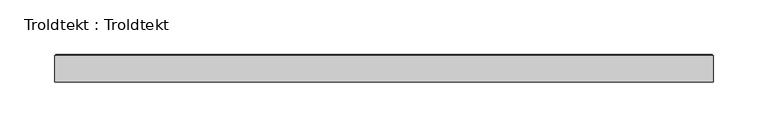
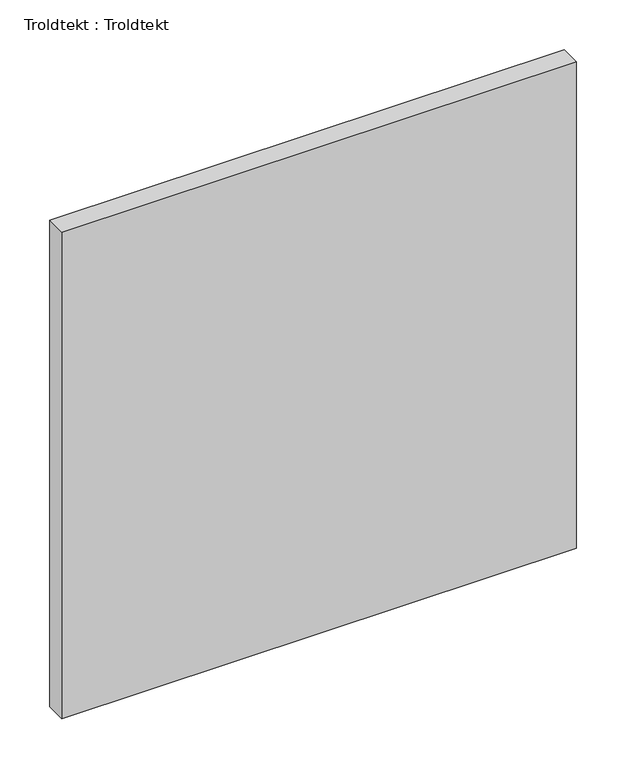
"""IFC4 building model written with IfcOpenShell, lengths in millimetres: proxy geometry, Troldtekt : Troldtekt."""

from ifc_helpers import new_model, si_unit, origin, place, context, project, spatial, faceted_brep, source, transform, mapped, element, save


def troldtekt_troldtekt_4c300b65(model_context):
    return source(origin(), model_context, "Body", "Brep", [
        faceted_brep([(-300.0, -12.5, 600.0), (300.0, -12.5, 600.0), (300.0, 11.495044, 600.0), (-300.0, 11.495044, 600.0), (300.0, -12.5, 0.0), (-300.0, -12.5, 0.0), (-300.0, 11.495044, 0.0), (300.0, 11.495044, 0.0), (-298.995044, 12.5, 1.004956), (-298.995044, 12.5, 598.995044), (298.995044, 12.5, 598.995044), (298.995044, 12.5, 1.004956)], [[[0, 1, 2, 3]], [[4, 5, 6, 7]], [[8, 9, 10, 11]], [[5, 0, 3, 6]], [[1, 0, 5, 4]], [[1, 4, 7, 2]], [[8, 6, 3, 9]], [[6, 8, 11, 7]], [[7, 11, 10, 2]], [[2, 10, 9, 3]]]),
    ])


if __name__ == "__main__":
    model = new_model("IFC4")
    model_context = context("Model", 3, world=origin())
    ifc_project = project(units=[si_unit("LENGTHUNIT", "METRE", prefix="MILLI")], contexts=[model_context])
    site = spatial("IfcSite", under=ifc_project)
    building = spatial("IfcBuilding", under=site)
    placement = place(None, origin())
    troldtekt_troldtekt_shape = troldtekt_troldtekt_4c300b65(model_context)
    element("IfcBuildingElementProxy", 1, Name="Troldtekt : Troldtekt", ObjectType="Troldtekt : Troldtekt", at=placement, inside=building, context=model_context, shape_type="MappedRepresentation", body=[
        mapped(troldtekt_troldtekt_shape, transform((0.0, 0.0, 0.0), x_axis=(1.0, 0.0, 0.0), y_axis=(0.0, 1.0, 0.0), z_axis=(0.0, 0.0, 1.0))),
    ])
    save(model, "model.ifc")
